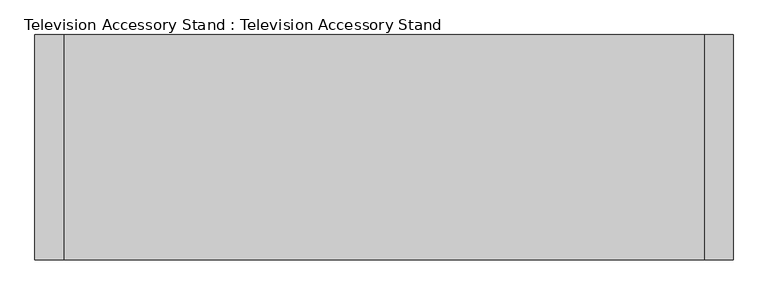
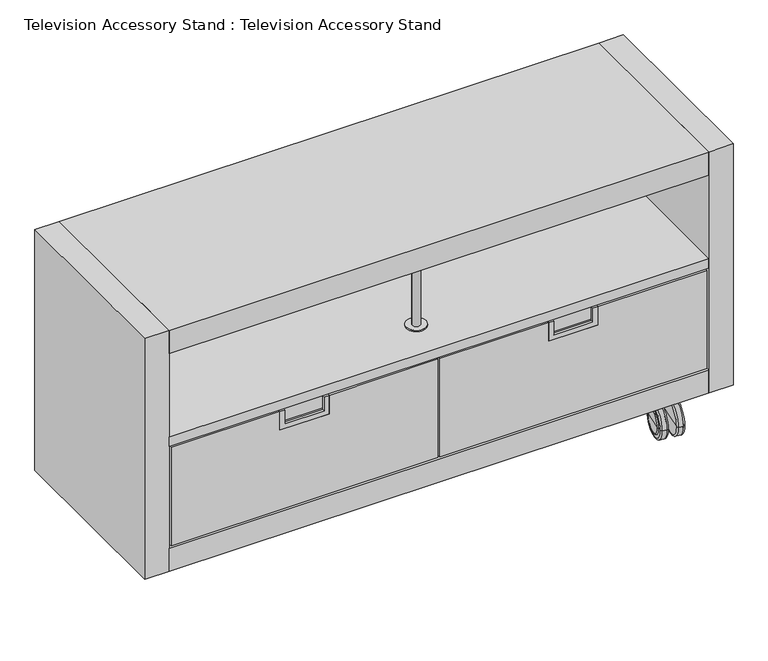
"""IFC4 building model written with IfcOpenShell, lengths in millimetres: furniture geometry, Television Accessory Stand : Television Accessory Stand."""

from ifc_helpers import new_model, si_unit, point, frame, origin, place, context, project, spatial, polyline, circle_curve, ellipse_curve, trimmed, outline, extrude, faceted_brep, source, transform, mapped, element, save
from ifc_brep_helpers import plane_surface, cylinder_surface, revolved_surface, advanced_brep


def television_accessory_stand_television_accessory_stand_428dd808(model_context):
    return source(origin(), model_context, "Body", "SolidModel", [
        advanced_brep(
        [(1109.8892057, 15.4115634, 35.0), (1119.9010115, 78.6236172, 35.0), (1114.8951086, 47.0175903, 35.0), (1106.4568373, 12.9178017, 35.0), (1117.4072498, 82.0559856, 35.0), (1097.5676422, 14.3257119, 35.0), (1108.5180548, 83.4638958, 35.0), (1095.0738806, 17.7580804, 35.0), (1105.0856864, 80.9701341, 35.0), (1100.0797835, 49.3641072, 35.0)],
        [
            (0, 1, circle_curve(frame((1114.8951086, 47.0175903, 35.0), z_axis=(0.9876883405951365, -0.15643446504023922, 0.0), x_axis=(0.15643446504023922, 0.9876883405951365, 0.0)), 32.0)),
            (1, 2),
            (2, 0),
            (1, 0, circle_curve(frame((1114.8951086, 47.0175903, 35.0), z_axis=(0.9876883405951365, -0.15643446504023922, 0.0), x_axis=(0.15643446504023922, 0.9876883405951365, 0.0)), 32.0)),
            (3, 4, circle_curve(frame((1111.9320436, 47.4868937, 35.0), z_axis=(0.9876883405951365, -0.15643446504023922, 0.0), x_axis=(0.15643446504023922, 0.9876883405951365, 0.0)), 35.0)),
            (4, 1, circle_curve(frame((1116.9379464, 79.0929206, 35.0), z_axis=(0.0, 0.0, -1.0), x_axis=(-0.987688340595136, 0.15643446504024244, 0.0)), 3.0)),
            (0, 3, circle_curve(frame((1106.9261407, 15.8808668, 35.0), z_axis=(0.0, 0.0, -1.0), x_axis=(-0.9876883405951371, 0.156434465040236, 0.0)), 3.0)),
            (4, 3, circle_curve(frame((1111.9320436, 47.4868937, 35.0), z_axis=(0.9876883405951365, -0.15643446504023922, 0.0), x_axis=(0.15643446504023922, 0.9876883405951365, 0.0)), 35.0)),
            (5, 6, circle_curve(frame((1103.0428485, 48.8948039, 35.0), z_axis=(0.9876883405951365, -0.15643446504023922, 0.0), x_axis=(0.15643446504023922, 0.9876883405951365, 0.0)), 35.0)),
            (6, 4),
            (3, 5),
            (6, 5, circle_curve(frame((1103.0428485, 48.8948039, 35.0), z_axis=(0.9876883405951365, -0.15643446504023922, 0.0), x_axis=(0.15643446504023922, 0.9876883405951365, 0.0)), 35.0)),
            (7, 8, circle_curve(frame((1100.0797835, 49.3641072, 35.0), z_axis=(0.9876883405951365, -0.15643446504023922, 0.0), x_axis=(0.15643446504023922, 0.9876883405951365, 0.0)), 32.0)),
            (8, 6, circle_curve(frame((1108.0487514, 80.5008308, 35.0), z_axis=(0.0, 0.0, -1.0), x_axis=(-0.987688340595136, 0.15643446504024244, 0.0)), 3.0)),
            (5, 7, circle_curve(frame((1098.0369456, 17.288777, 35.0), z_axis=(0.0, 0.0, -1.0), x_axis=(-0.9876883405951371, 0.156434465040236, 0.0)), 3.0)),
            (8, 7, circle_curve(frame((1100.0797835, 49.3641072, 35.0), z_axis=(0.9876883405951365, -0.15643446504023922, 0.0), x_axis=(0.15643446504023922, 0.9876883405951365, 0.0)), 32.0)),
            (9, 8),
            (7, 9),
        ],
        [
            plane_surface(frame((1114.8951086, 47.0175903, 35.0), z_axis=(0.9876883405951365, -0.15643446504023922, 0.0), x_axis=(0.15643446504023922, 0.9876883405951365, 0.0))),
            revolved_surface(trimmed(ellipse_curve(frame((1116.9379464, 79.0929206, 35.0), z_axis=(0.0, 0.0, 1.0), x_axis=(-0.987688340595136, 0.15643446504024244, 0.0)), 3.0, 3.0), [point((1119.9010115, 78.6236172, 35.0))], [point((1117.4072498, 82.0559856, 35.0))], True, "CARTESIAN"), (1100.0797835, 49.3641072, 35.0), (-0.9876883405951365, 0.15643446504023922, 0.0)),
            cylinder_surface(frame((1100.0797835, 49.3641072, 35.0), z_axis=(-0.9876883405951365, 0.15643446504023922, 0.0), x_axis=(0.15643446504023922, 0.9876883405951365, 0.0)), 35.0),
            revolved_surface(trimmed(ellipse_curve(frame((1108.0487514, 80.5008308, 35.0), z_axis=(0.0, 0.0, 1.0), x_axis=(-0.987688340595136, 0.15643446504024244, 0.0)), 3.0, 3.0), [point((1108.5180548, 83.4638958, 35.0))], [point((1105.0856864, 80.9701341, 35.0))], True, "CARTESIAN"), (1100.0797835, 49.3641072, 35.0), (-0.9876883405951365, 0.15643446504023922, 0.0)),
            plane_surface(frame((1100.0797835, 49.3641072, 35.0), z_axis=(-0.9876883405951365, 0.15643446504023922, 0.0), x_axis=(0.15643446504023922, 0.9876883405951365, 0.0))),
        ],
        [
            (0, [[1, 2, 3]]),
            (0, [[4, -3, -2]]),
            (1, [[5, 6, -1, 7]]),
            (1, [[8, -7, -4, -6]]),
            (2, [[9, 10, -5, 11]]),
            (2, [[12, -11, -8, -10]]),
            (3, [[13, 14, -9, 15]]),
            (3, [[16, -15, -12, -14]]),
            (4, [[17, -13, 18]]),
            (4, [[-18, -16, -17]]),
        ],
    ),
        advanced_brep(
        [(1113.2724926, 23.9878895, 35.0), (1120.468478, 69.4215532, 35.0), (1116.8704853, 46.7047213, 35.0), (1110.984247, 22.3253818, 35.0), (1118.8059702, 71.7097988, 35.0), (1114.8951086, 47.0175903, 35.0)],
        [
            (0, 1, circle_curve(frame((1116.8704853, 46.7047213, 35.0), z_axis=(0.9876883405951365, -0.15643446504023922, 0.0), x_axis=(0.15643446504023922, 0.9876883405951365, 0.0)), 23.0)),
            (1, 2),
            (2, 0),
            (1, 0, circle_curve(frame((1116.8704853, 46.7047213, 35.0), z_axis=(0.9876883405951365, -0.15643446504023922, 0.0), x_axis=(0.15643446504023922, 0.9876883405951365, 0.0)), 23.0)),
            (3, 4, circle_curve(frame((1114.8951086, 47.0175903, 35.0), z_axis=(0.9876883405951365, -0.15643446504023922, 0.0), x_axis=(0.15643446504023922, 0.9876883405951365, 0.0)), 25.0)),
            (4, 1, circle_curve(frame((1118.4931013, 69.7344221, 35.0), z_axis=(0.0, 0.0, -1.0), x_axis=(-0.9876883405951373, 0.1564344650402341, 0.0)), 2.0)),
            (0, 3, circle_curve(frame((1111.2971159, 24.3007584, 35.0), z_axis=(0.0, 0.0, -1.0), x_axis=(-0.9876883405951358, 0.15643446504024436, 0.0)), 2.0)),
            (4, 3, circle_curve(frame((1114.8951086, 47.0175903, 35.0), z_axis=(0.9876883405951365, -0.15643446504023922, 0.0), x_axis=(0.15643446504023922, 0.9876883405951365, 0.0)), 25.0)),
            (5, 4),
            (3, 5),
        ],
        [
            plane_surface(frame((1116.8704853, 46.7047213, 35.0), z_axis=(0.9876883405951365, -0.15643446504023922, 0.0), x_axis=(0.15643446504023922, 0.9876883405951365, 0.0))),
            revolved_surface(trimmed(ellipse_curve(frame((1118.4931013, 69.7344221, 35.0), z_axis=(0.0, 0.0, 1.0), x_axis=(-0.9876883405951373, 0.1564344650402341, 0.0)), 2.0, 2.0), [point((1120.468478, 69.4215532, 35.0))], [point((1118.8059702, 71.7097988, 35.0))], True, "CARTESIAN"), (1114.8951086, 47.0175903, 35.0), (-0.9876883405951365, 0.15643446504023922, 0.0)),
            plane_surface(frame((1114.8951086, 47.0175903, 35.0), z_axis=(-0.9876883405951365, 0.15643446504023922, 0.0), x_axis=(0.15643446504023922, 0.9876883405951365, 0.0))),
        ],
        [
            (0, [[1, 2, 3]]),
            (0, [[4, -3, -2]]),
            (1, [[5, 6, -1, 7]]),
            (1, [[8, -7, -4, -6]]),
            (2, [[9, -5, 10]]),
            (2, [[-10, -8, -9]]),
        ],
    ),
        advanced_brep(
        [(1079.2708671, 20.2610318, 35.0), (1089.2826729, 83.4730856, 35.0), (1084.27677, 51.8670587, 35.0), (1075.8384987, 17.7672702, 35.0), (1086.7889113, 86.905454, 35.0), (1066.9493037, 19.1751804, 35.0), (1077.8997162, 88.3133642, 35.0), (1064.455542, 22.6075488, 35.0), (1074.4673478, 85.8196026, 35.0), (1069.4614449, 54.2135757, 35.0)],
        [
            (0, 1, circle_curve(frame((1084.27677, 51.8670587, 35.0), z_axis=(0.9876883405951354, -0.15643446504024566, 0.0), x_axis=(0.15643446504024566, 0.9876883405951354, 0.0)), 32.0)),
            (1, 2),
            (2, 0),
            (1, 0, circle_curve(frame((1084.27677, 51.8670587, 35.0), z_axis=(0.9876883405951354, -0.15643446504024566, 0.0), x_axis=(0.15643446504024566, 0.9876883405951354, 0.0)), 32.0)),
            (3, 4, circle_curve(frame((1081.313705, 52.3363621, 35.0), z_axis=(0.9876883405951354, -0.15643446504024566, 0.0), x_axis=(0.15643446504024566, 0.9876883405951354, 0.0)), 35.0)),
            (4, 1, circle_curve(frame((1086.3196079, 83.942389, 35.0), z_axis=(0.0, 0.0, -1.0), x_axis=(0.987688340595136, -0.15643446504024244, 0.0)), 3.0)),
            (0, 3, circle_curve(frame((1076.3078021, 20.7303352, 35.0), z_axis=(0.0, 0.0, -1.0), x_axis=(0.9876883405951349, -0.15643446504024888, 0.0)), 3.0)),
            (4, 3, circle_curve(frame((1081.313705, 52.3363621, 35.0), z_axis=(0.9876883405951354, -0.15643446504024566, 0.0), x_axis=(0.15643446504024566, 0.9876883405951354, 0.0)), 35.0)),
            (5, 6, circle_curve(frame((1072.4245099, 53.7442723, 35.0), z_axis=(0.9876883405951354, -0.15643446504024566, 0.0), x_axis=(0.15643446504024566, 0.9876883405951354, 0.0)), 35.0)),
            (6, 4),
            (3, 5),
            (6, 5, circle_curve(frame((1072.4245099, 53.7442723, 35.0), z_axis=(0.9876883405951354, -0.15643446504024566, 0.0), x_axis=(0.15643446504024566, 0.9876883405951354, 0.0)), 35.0)),
            (7, 8, circle_curve(frame((1069.4614449, 54.2135757, 35.0), z_axis=(0.9876883405951354, -0.15643446504024566, 0.0), x_axis=(0.15643446504024566, 0.9876883405951354, 0.0)), 32.0)),
            (8, 6, circle_curve(frame((1077.4304128, 85.3502992, 35.0), z_axis=(0.0, 0.0, -1.0), x_axis=(0.987688340595136, -0.15643446504024244, 0.0)), 3.0)),
            (5, 7, circle_curve(frame((1067.4186071, 22.1382454, 35.0), z_axis=(0.0, 0.0, -1.0), x_axis=(0.9876883405951349, -0.15643446504024888, 0.0)), 3.0)),
            (8, 7, circle_curve(frame((1069.4614449, 54.2135757, 35.0), z_axis=(0.9876883405951354, -0.15643446504024566, 0.0), x_axis=(0.15643446504024566, 0.9876883405951354, 0.0)), 32.0)),
            (9, 8),
            (7, 9),
        ],
        [
            plane_surface(frame((1084.27677, 51.8670587, 35.0), z_axis=(0.9876883405951354, -0.15643446504024566, 0.0), x_axis=(0.15643446504024566, 0.9876883405951354, 0.0))),
            revolved_surface(trimmed(ellipse_curve(frame((1086.3196079, 83.942389, 35.0), z_axis=(0.0, 0.0, 1.0), x_axis=(0.987688340595136, -0.15643446504024244, 0.0)), 3.0, 3.0), [point((1089.2826729, 83.4730856, 35.0))], [point((1086.7889113, 86.905454, 35.0))], True, "CARTESIAN"), (1084.27677, 51.8670587, 35.0), (-0.9876883405951354, 0.15643446504024566, 0.0)),
            cylinder_surface(frame((1084.27677, 51.8670587, 35.0), z_axis=(-0.9876883405951354, 0.15643446504024566, 0.0), x_axis=(0.15643446504024566, 0.9876883405951354, 0.0)), 35.0),
            revolved_surface(trimmed(ellipse_curve(frame((1077.4304128, 85.3502992, 35.0), z_axis=(0.0, 0.0, 1.0), x_axis=(0.987688340595136, -0.15643446504024244, 0.0)), 3.0, 3.0), [point((1077.8997162, 88.3133642, 35.0))], [point((1074.4673478, 85.8196026, 35.0))], True, "CARTESIAN"), (1084.27677, 51.8670587, 35.0), (-0.9876883405951354, 0.15643446504024566, 0.0)),
            plane_surface(frame((1069.4614449, 54.2135757, 35.0), z_axis=(-0.9876883405951354, 0.15643446504024566, 0.0), x_axis=(0.15643446504024566, 0.9876883405951354, 0.0))),
        ],
        [
            (0, [[1, 2, 3]]),
            (0, [[4, -3, -2]]),
            (1, [[5, 6, -1, 7]]),
            (1, [[8, -7, -4, -6]]),
            (2, [[9, 10, -5, 11]]),
            (2, [[12, -11, -8, -10]]),
            (3, [[13, 14, -9, 15]]),
            (3, [[16, -15, -12, -14]]),
            (4, [[17, -13, 18]]),
            (4, [[-18, -16, -17]]),
        ],
    ),
        advanced_brep(
        [(1065.5505833, 29.5213672, 35.0), (1073.3723065, 78.9057842, 35.0), (1069.4614449, 54.2135757, 35.0), (1063.8880755, 31.8096128, 35.0), (1071.0840609, 77.2432764, 35.0), (1067.4860682, 54.5264446, 35.0)],
        [
            (0, 1, circle_curve(frame((1069.4614449, 54.2135757, 35.0), z_axis=(0.9876883405951354, -0.15643446504024566, 0.0), x_axis=(0.15643446504024566, 0.9876883405951354, 0.0)), 25.0)),
            (1, 2),
            (2, 0),
            (1, 0, circle_curve(frame((1069.4614449, 54.2135757, 35.0), z_axis=(0.9876883405951354, -0.15643446504024566, 0.0), x_axis=(0.15643446504024566, 0.9876883405951354, 0.0)), 25.0)),
            (3, 4, circle_curve(frame((1067.4860682, 54.5264446, 35.0), z_axis=(0.9876883405951354, -0.15643446504024566, 0.0), x_axis=(0.15643446504024566, 0.9876883405951354, 0.0)), 23.0)),
            (4, 1, circle_curve(frame((1073.0594376, 76.9304075, 35.0), z_axis=(0.0, 0.0, -1.0), x_axis=(0.9876883405951347, -0.1564344650402508, 0.0)), 2.0)),
            (0, 3, circle_curve(frame((1065.8634522, 31.4967438, 35.0), z_axis=(0.0, 0.0, -1.0), x_axis=(0.9876883405951362, -0.15643446504024053, 0.0)), 2.0)),
            (4, 3, circle_curve(frame((1067.4860682, 54.5264446, 35.0), z_axis=(0.9876883405951354, -0.15643446504024566, 0.0), x_axis=(0.15643446504024566, 0.9876883405951354, 0.0)), 23.0)),
            (5, 4),
            (3, 5),
        ],
        [
            plane_surface(frame((1069.4614449, 54.2135757, 35.0), z_axis=(0.9876883405951354, -0.15643446504024566, 0.0), x_axis=(0.15643446504024566, 0.9876883405951354, 0.0))),
            revolved_surface(trimmed(ellipse_curve(frame((1073.0594376, 76.9304075, 35.0), z_axis=(0.0, 0.0, 1.0), x_axis=(0.9876883405951347, -0.1564344650402508, 0.0)), 2.0, 2.0), [point((1073.3723065, 78.9057842, 35.0))], [point((1071.0840609, 77.2432764, 35.0))], True, "CARTESIAN"), (1069.4614449, 54.2135757, 35.0), (-0.9876883405951354, 0.15643446504024566, 0.0)),
            plane_surface(frame((1067.4860682, 54.5264446, 35.0), z_axis=(-0.9876883405951354, 0.15643446504024566, 0.0), x_axis=(0.15643446504024566, 0.9876883405951354, 0.0))),
        ],
        [
            (0, [[1, 2, 3]]),
            (0, [[4, -3, -2]]),
            (1, [[5, 6, -1, 7]]),
            (1, [[8, -7, -4, -6]]),
            (2, [[9, -5, 10]]),
            (2, [[-10, -8, -9]]),
        ],
    ),
        advanced_brep(
        [(580.0, 80.0, 570.0), (620.0, 80.0, 570.0), (580.0, 80.0, 567.0), (620.0, 80.0, 567.0), (592.0, 80.0, 567.0), (608.0, 80.0, 567.0), (592.0, 80.0, 393.0), (608.0, 80.0, 393.0), (580.0, 80.0, 393.0), (620.0, 80.0, 393.0), (580.0, 80.0, 390.0), (620.0, 80.0, 390.0)],
        [
            (0, 1, circle_curve(frame((600.0, 80.0, 570.0), z_axis=(0.0, 0.0, 1.0), x_axis=(1.0, 0.0, 0.0)), 20.0)),
            (1, 0, circle_curve(frame((600.0, 80.0, 570.0), z_axis=(0.0, 0.0, 1.0), x_axis=(1.0, 0.0, 0.0)), 20.0)),
            (2, 3, circle_curve(frame((600.0, 80.0, 567.0), z_axis=(0.0, 0.0, -1.0), x_axis=(1.0, 0.0, 0.0)), 20.0)),
            (3, 2, circle_curve(frame((600.0, 80.0, 567.0), z_axis=(0.0, 0.0, -1.0), x_axis=(1.0, 0.0, 0.0)), 20.0)),
            (4, 5, circle_curve(frame((600.0, 80.0, 567.0), z_axis=(0.0, 0.0, 1.0), x_axis=(1.0, 0.0, 0.0)), 8.0)),
            (5, 4, circle_curve(frame((600.0, 80.0, 567.0), z_axis=(0.0, 0.0, 1.0), x_axis=(1.0, 0.0, 0.0)), 8.0)),
            (0, 2),
            (3, 1),
            (4, 6),
            (6, 7, circle_curve(frame((600.0, 80.0, 393.0), z_axis=(0.0, 0.0, 1.0), x_axis=(1.0, 0.0, 0.0)), 8.0)),
            (7, 5),
            (7, 6, circle_curve(frame((600.0, 80.0, 393.0), z_axis=(0.0, 0.0, 1.0), x_axis=(1.0, 0.0, 0.0)), 8.0)),
            (8, 9, circle_curve(frame((600.0, 80.0, 393.0), z_axis=(0.0, 0.0, 1.0), x_axis=(1.0, 0.0, 0.0)), 20.0)),
            (9, 8, circle_curve(frame((600.0, 80.0, 393.0), z_axis=(0.0, 0.0, 1.0), x_axis=(1.0, 0.0, 0.0)), 20.0)),
            (10, 11, circle_curve(frame((600.0, 80.0, 390.0), z_axis=(0.0, 0.0, -1.0), x_axis=(1.0, 0.0, 0.0)), 20.0)),
            (11, 10, circle_curve(frame((600.0, 80.0, 390.0), z_axis=(0.0, 0.0, -1.0), x_axis=(1.0, 0.0, 0.0)), 20.0)),
            (8, 10),
            (11, 9),
        ],
        [
            plane_surface(frame((620.0, 80.0, 570.0), z_axis=(0.0, 0.0, 1.0), x_axis=(0.0, 1.0, 0.0))),
            plane_surface(frame((620.0, 80.0, 567.0), z_axis=(0.0, 0.0, -1.0), x_axis=(0.0, -1.0, 0.0))),
            cylinder_surface(frame((600.0, 80.0, 567.0), z_axis=(0.0, 0.0, 1.0), x_axis=(1.0, 0.0, 0.0)), 20.0),
            cylinder_surface(frame((600.0, 80.0, 393.0), z_axis=(0.0, 0.0, 1.0), x_axis=(1.0, 0.0, 0.0)), 8.0),
            plane_surface(frame((620.0, 80.0, 393.0), z_axis=(0.0, 0.0, 1.0), x_axis=(0.0, 1.0, 0.0))),
            plane_surface(frame((620.0, 80.0, 390.0), z_axis=(0.0, 0.0, -1.0), x_axis=(0.0, -1.0, 0.0))),
            cylinder_surface(frame((600.0, 80.0, 390.0), z_axis=(0.0, 0.0, 1.0), x_axis=(1.0, 0.0, 0.0)), 20.0),
        ],
        [
            (0, [[1, 2]]),
            (1, [[3, 4], [5, 6]]),
            (2, [[-1, 7, -4, 8]]),
            (2, [[-2, -8, -3, -7]]),
            (3, [[9, 10, 11, -5]]),
            (3, [[-9, -6, -11, 12]]),
            (4, [[13, 14], [-10, -12]]),
            (5, [[15, 16]]),
            (6, [[-13, 17, -16, 18]]),
            (6, [[-14, -18, -15, -17]]),
        ],
    ),
        faceted_brep([(276.0, 20.0, 326.0), (276.0, 20.0, 366.0), (376.0, 20.0, 366.0), (376.0, 20.0, 326.0), (371.0, 15.0, 366.0), (281.0, 15.0, 366.0), (281.0, 15.0, 331.0), (371.0, 15.0, 331.0), (276.0, 0.0, 326.0), (276.0, 0.0, 366.0), (286.0, 0.0, 366.0), (286.0, 5.0, 366.0), (281.0, 5.0, 366.0), (371.0, 5.0, 366.0), (366.0, 5.0, 366.0), (366.0, 0.0, 366.0), (376.0, 0.0, 366.0), (376.0, 0.0, 326.0), (281.0, 5.0, 331.0), (371.0, 5.0, 331.0), (286.0, 5.0, 336.0), (366.0, 5.0, 336.0), (366.0, 0.0, 336.0), (286.0, 0.0, 336.0)], [[[0, 1, 2, 3]], [[4, 5, 6, 7]], [[1, 0, 8, 9]], [[2, 1, 9, 10, 11, 12, 5, 4, 13, 14, 15, 16]], [[3, 2, 16, 17]], [[8, 0, 3, 17]], [[5, 12, 18, 6]], [[6, 18, 19, 7]], [[7, 19, 13, 4]], [[11, 20, 21, 14, 13, 19, 18, 12]], [[8, 17, 16, 15, 22, 23, 10, 9]], [[20, 11, 10, 23]], [[21, 20, 23, 22]], [[14, 21, 22, 15]]]),
        faceted_brep([(824.0, 20.0, 326.0), (824.0, 20.0, 366.0), (924.0, 20.0, 366.0), (924.0, 20.0, 326.0), (919.0, 15.0, 366.0), (829.0, 15.0, 366.0), (829.0, 15.0, 331.0), (919.0, 15.0, 331.0), (824.0, 0.0, 326.0), (824.0, 0.0, 366.0), (834.0, 0.0, 366.0), (834.0, 5.0, 366.0), (829.0, 5.0, 366.0), (919.0, 5.0, 366.0), (914.0, 5.0, 366.0), (914.0, 0.0, 366.0), (924.0, 0.0, 366.0), (924.0, 0.0, 326.0), (829.0, 5.0, 331.0), (919.0, 5.0, 331.0), (834.0, 5.0, 336.0), (914.0, 5.0, 336.0), (914.0, 0.0, 336.0), (834.0, 0.0, 336.0)], [[[0, 1, 2, 3]], [[4, 5, 6, 7]], [[1, 0, 8, 9]], [[2, 1, 9, 10, 11, 12, 5, 4, 13, 14, 15, 16]], [[3, 2, 16, 17]], [[8, 0, 3, 17]], [[5, 12, 18, 6]], [[6, 18, 19, 7]], [[7, 19, 13, 4]], [[11, 20, 21, 14, 13, 19, 18, 12]], [[8, 17, 16, 15, 22, 23, 10, 9]], [[20, 11, 10, 23]], [[21, 20, 23, 22]], [[14, 21, 22, 15]]]),
        extrude(outline(polyline([(366.0, 54.0), (154.0, 54.0), (154.0, 598.0), (366.0, 598.0), (366.0, 376.0), (326.0, 376.0), (326.0, 276.0), (366.0, 276.0), (366.0, 54.0)])), frame((0.0, 0.0, 0.0), z_axis=(0.0, 1.0, 0.0), x_axis=(0.0, 0.0, 1.0)), (0.0, 0.0, 1.0), 20.0),
        extrude(outline(polyline([(366.0, 1146.0), (366.0, 924.0), (326.0, 924.0), (326.0, 824.0), (366.0, 824.0), (366.0, 602.0), (154.0, 602.0), (154.0, 1146.0), (366.0, 1146.0)])), frame((0.0, 0.0, 0.0), z_axis=(0.0, 1.0, 0.0), x_axis=(0.0, 0.0, 1.0)), (0.0, 0.0, 1.0), 20.0),
        extrude(outline(polyline([(50.0, 387.6), (1150.0, 387.6), (1150.0, 367.6), (50.0, 367.6), (50.0, 387.6)])), frame((0.0, 0.0, 150.0), z_axis=(0.0, 0.0, 1.0), x_axis=(1.0, 0.0, 0.0)), (0.0, 0.0, 1.0), 220.0),
        extrude(outline(polyline([(50.0, 0.0), (50.0, 387.6), (1150.0, 387.6), (1150.0, 0.0), (50.0, 0.0)])), frame((0.0, 0.0, 370.0), z_axis=(0.0, 0.0, 1.0), x_axis=(1.0, 0.0, 0.0)), (0.0, 0.0, 1.0), 20.0),
        extrude(outline(polyline([(610.0, 367.6), (610.0, 20.0), (590.0, 20.0), (590.0, 367.6), (610.0, 367.6)])), frame((0.0, 0.0, 150.0), z_axis=(0.0, 0.0, 1.0), x_axis=(1.0, 0.0, 0.0)), (0.0, 0.0, 1.0), 220.0),
        extrude(outline(polyline([(50.0, 0.0), (50.0, 387.6), (1150.0, 387.6), (1150.0, 0.0), (50.0, 0.0)])), frame((0.0, 0.0, 100.0), z_axis=(0.0, 0.0, 1.0), x_axis=(1.0, 0.0, 0.0)), (0.0, 0.0, 1.0), 50.0),
        extrude(outline(polyline([(1150.0, 0.0), (50.0, 0.0), (50.0, 387.6), (1150.0, 387.6), (1150.0, 0.0)])), frame((0.0, 0.0, 570.0), z_axis=(0.0, 0.0, 1.0), x_axis=(1.0, 0.0, 0.0)), (0.0, 0.0, 1.0), 50.0),
        extrude(outline(polyline([(1150.0, 0.0), (1150.0, 387.6), (1200.0, 387.6), (1200.0, 0.0), (1150.0, 0.0)])), frame((0.0, 0.0, 100.0), z_axis=(0.0, 0.0, 1.0), x_axis=(1.0, 0.0, 0.0)), (0.0, 0.0, 1.0), 520.0),
        extrude(outline(polyline([(50.0, 387.6), (50.0, 0.0), (0.0, 0.0), (0.0, 387.6), (50.0, 387.6)])), frame((0.0, 0.0, 100.0), z_axis=(0.0, 0.0, 1.0), x_axis=(1.0, 0.0, 0.0)), (0.0, 0.0, 1.0), 520.0),
    ])


if __name__ == "__main__":
    model = new_model("IFC4")
    model_context = context("Model", 3, world=origin())
    ifc_project = project(units=[si_unit("LENGTHUNIT", "METRE", prefix="MILLI")], contexts=[model_context])
    site = spatial("IfcSite", under=ifc_project)
    building = spatial("IfcBuilding", under=site)
    placement = place(None, origin())
    television_accessory_stand_television_accessory_stand_shape = television_accessory_stand_television_accessory_stand_428dd808(model_context)
    element("IfcFurniture", 1, ObjectType="Television Accessory Stand : Television Accessory Stand", at=placement, inside=building, context=model_context, shape_type="MappedRepresentation", body=[
        mapped(television_accessory_stand_television_accessory_stand_shape, transform((0.0, 0.0, 0.0), x_axis=(1.0, 0.0, 0.0), y_axis=(0.0, 1.0, 0.0), z_axis=(0.0, 0.0, 1.0))),
    ])
    save(model, "model.ifc")
